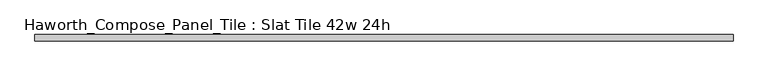
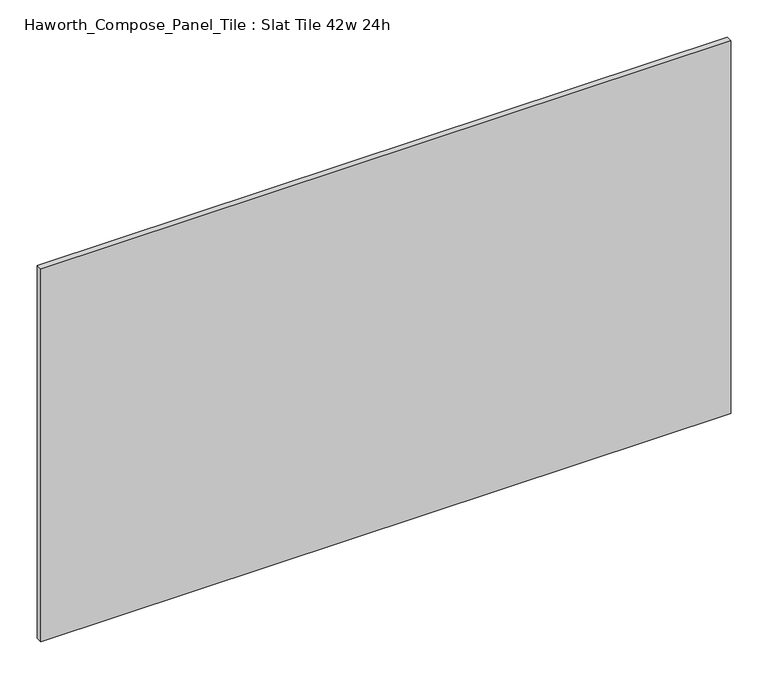
"""IFC4 building model written with IfcOpenShell, lengths in millimetres: furniture geometry, Haworth_Compose_Panel_Tile : Slat Tile 42w 24h."""

from ifc_helpers import new_model, si_unit, frame, origin, place, context, project, spatial, polyline, outline, extrude, source, transform, mapped, element, save


def haworth_compose_panel_tile_slat_tile_42w_24h_cc35f689(model_context):
    return source(origin(), model_context, "Body", "SweptSolid", [
        extrude(outline(polyline([(535.8402902, -25.7218594), (-530.9597098, -25.7218594), (-530.9597098, -16.1968594), (535.8402902, -16.1968594), (535.8402902, -25.7218594)])), frame((0.0, 0.0, 1066.8), z_axis=(0.0, 0.0, 1.0), x_axis=(1.0, 0.0, 0.0)), (0.0, 0.0, 1.0), 609.6),
    ])


if __name__ == "__main__":
    model = new_model("IFC4")
    model_context = context("Model", 3, world=origin())
    ifc_project = project(units=[si_unit("LENGTHUNIT", "METRE", prefix="MILLI")], contexts=[model_context])
    site = spatial("IfcSite", under=ifc_project)
    building = spatial("IfcBuilding", under=site)
    placement = place(None, origin())
    haworth_compose_panel_tile_slat_tile_42w_24h_shape = haworth_compose_panel_tile_slat_tile_42w_24h_cc35f689(model_context)
    element("IfcFurniture", 1, ObjectType="Haworth_Compose_Panel_Tile : Slat Tile 42w 24h", at=placement, inside=building, context=model_context, shape_type="MappedRepresentation", body=[
        mapped(haworth_compose_panel_tile_slat_tile_42w_24h_shape, transform((0.0, 0.0, 0.0), x_axis=(1.0, 0.0, 0.0), y_axis=(0.0, 1.0, 0.0), z_axis=(0.0, 0.0, 1.0))),
    ])
    save(model, "model.ifc")
